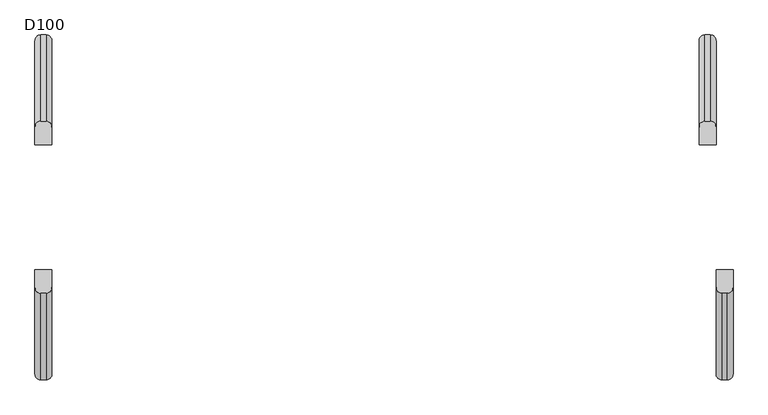
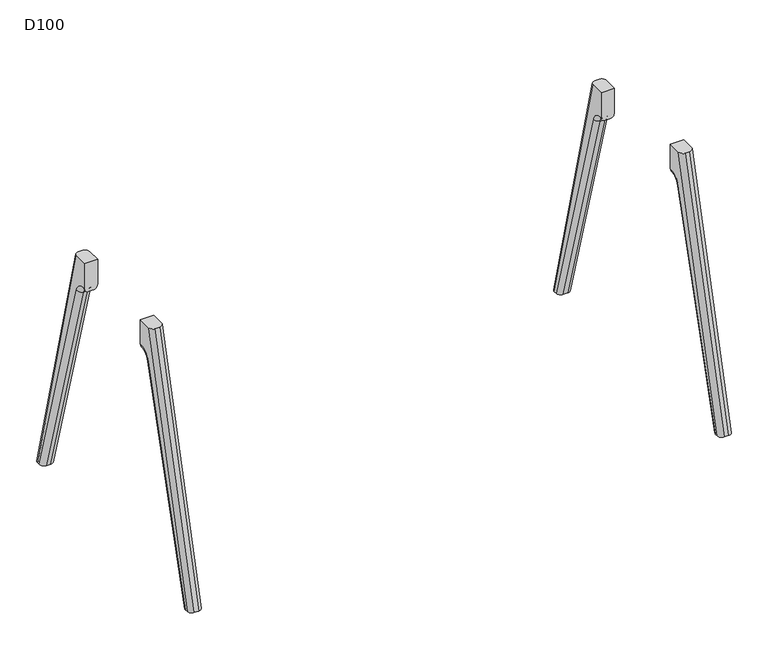
"""IFC4 building model written with IfcOpenShell, lengths in millimetres: furniture geometry, D100."""

from ifc_helpers import new_model, si_unit, point, frame, origin, place, context, project, spatial, polyline, circle_curve, ellipse_curve, trimmed, source, transform, mapped, element, save
from ifc_brep_helpers import plane_surface, cylinder_surface, revolved_surface, advanced_brep


def d100_ffd6c394(model_context):
    return source(origin(), model_context, "Body", "AdvancedBrep", [
        advanced_brep(
        [(0.0, -211.7278851, 880.0006338), (0.0, -439.8031746, 0.0), (15.0, -455.2987797, 0.0), (15.0, -227.2234902, 880.0006338), (45.0, -439.8031746, 0.0), (45.0, -211.7278851, 880.0006338), (30.0, -227.2234902, 880.0006338), (30.0, -455.2987797, 0.0), (45.0, -165.2234902, 880.0006338), (45.0, -429.58813, 0.0), (45.0, -211.1253977, 757.7437132), (45.0, -166.9256926, 791.0006338), (45.0, -165.2234902, 791.0006338), (0.0, -165.2234902, 880.0006338), (0.0, -165.2234902, 791.0006338), (0.0, -166.9256926, 791.0006338), (0.0, -211.1253977, 757.7437132), (0.0, -429.58813, 0.0), (30.0, -413.9771661, 0.0), (15.0, -413.9771661, 0.0), (15.0, -196.7124504, 753.5883612), (30.0, -196.7124504, 753.5883612), (30.0, -165.2234902, 776.0006338), (15.0, -165.2234902, 776.0006338), (30.0, -166.9256926, 776.0006338), (15.0, -166.9256926, 776.0006338)],
        [
            (0, 1),
            (1, 2, ellipse_curve(frame((15.0, -439.8031746, 0.0), z_axis=(0.0, 0.0, 1.0), x_axis=(0.0, 1.0, 0.0)), 15.4956051, 15.0)),
            (2, 3),
            (3, 0, ellipse_curve(frame((15.0, -211.7278851, 880.0006338), z_axis=(0.0, 0.0, -1.0), x_axis=(0.0, 1.0, 0.0)), 15.4956051, 15.0)),
            (4, 5),
            (5, 6, ellipse_curve(frame((30.0, -211.7278851, 880.0006338), z_axis=(0.0, 0.0, -1.0), x_axis=(0.0, 1.0, 0.0)), 15.4956051, 15.0)),
            (6, 7),
            (7, 4, ellipse_curve(frame((30.0, -439.8031746, 0.0), z_axis=(0.0, 0.0, 1.0), x_axis=(0.0, 1.0, 0.0)), 15.4956051, 15.0)),
            (8, 5),
            (4, 9),
            (9, 10),
            (10, 11, circle_curve(frame((45.0, -166.9256926, 745.0006338), z_axis=(-1.0, 0.0, 0.0), x_axis=(0.0, -0.9608631532166849, 0.2770234661368772)), 46.0)),
            (11, 12),
            (12, 8),
            (0, 13),
            (13, 14),
            (14, 15),
            (15, 16, circle_curve(frame((0.0, -166.9256926, 745.0006338), z_axis=(1.0, 0.0, 0.0), x_axis=(0.0, -0.9608631532166849, 0.2770234661368772)), 46.0)),
            (16, 17),
            (17, 1),
            (18, 19),
            (19, 20),
            (20, 21),
            (21, 18),
            (7, 2),
            (17, 19, ellipse_curve(frame((15.0, -429.58813, 0.0), z_axis=(0.0, 0.0, -1.0), x_axis=(0.0, 1.0, 0.0)), 15.6109639, 15.0)),
            (18, 9, ellipse_curve(frame((30.0, -429.58813, 0.0), z_axis=(0.0, 0.0, -1.0), x_axis=(0.0, 1.0, 0.0)), 15.6109639, 15.0)),
            (6, 3),
            (8, 13),
            (12, 22, circle_curve(frame((30.0, -165.2234902, 791.0006338), z_axis=(0.0, 1.0, 0.0), x_axis=(0.0, 0.0, 1.0)), 15.0)),
            (22, 23),
            (23, 14, circle_curve(frame((15.0, -165.2234902, 791.0006338), z_axis=(0.0, 1.0, 0.0), x_axis=(0.0, 0.0, 1.0)), 15.0)),
            (22, 24),
            (24, 25),
            (25, 23),
            (24, 21, circle_curve(frame((30.0, -166.9256926, 745.0006338), z_axis=(1.0, 0.0, 0.0), x_axis=(0.0, 1.0, 0.0)), 31.0)),
            (20, 25, circle_curve(frame((15.0, -166.9256926, 745.0006338), z_axis=(-1.0, 0.0, 0.0), x_axis=(0.0, 1.0, 0.0)), 31.0)),
            (16, 20, circle_curve(frame((15.0, -211.1253977, 757.7437132), z_axis=(0.0, -0.2770234661368847, -0.9608631532166827), x_axis=(0.0, -0.9608631532166827, 0.2770234661368847)), 15.0)),
            (21, 10, circle_curve(frame((30.0, -211.1253977, 757.7437132), z_axis=(0.0, -0.2770234661368847, -0.9608631532166827), x_axis=(0.0, -0.9608631532166827, 0.2770234661368847)), 15.0)),
            (25, 15, circle_curve(frame((15.0, -166.9256926, 791.0006338), z_axis=(0.0, 1.0, 0.0), x_axis=(0.0, 0.0, 1.0)), 15.0)),
            (11, 24, circle_curve(frame((30.0, -166.9256926, 791.0006338), z_axis=(0.0, 1.0, 0.0), x_axis=(0.0, 0.0, 1.0)), 15.0)),
        ],
        [
            cylinder_surface(frame((15.0, -457.7527706, -69.2563225), z_axis=(0.0, 0.25088689062883374, 0.9680164090089567), x_axis=(0.0, -0.9680164090089567, 0.25088689062883374)), 15.0),
            cylinder_surface(frame((30.0, -457.7527706, -69.2563225), z_axis=(0.0, 0.25088689062883374, 0.9680164090089567), x_axis=(0.0, -0.9680164090089567, 0.25088689062883374)), 15.0),
            plane_surface(frame((45.0, -135.9256926, 745.0006338), z_axis=(1.0, 0.0, 0.0), x_axis=(0.0, 0.0, -1.0))),
            plane_surface(frame((0.0, -135.9256926, 745.0006338), z_axis=(-1.0, 0.0, 0.0), x_axis=(0.0, 0.0, 1.0))),
            plane_surface(frame((45.0, -413.9771661, 0.0), z_axis=(0.0, 0.9608631532166828, -0.2770234661368848), x_axis=(-1.0, 0.0, 0.0))),
            plane_surface(frame((45.0, -455.2987797, 0.0), z_axis=(0.0, 0.0, -1.0), x_axis=(-1.0, 0.0, 0.0))),
            plane_surface(frame((45.0, -227.2234902, 880.0006338), z_axis=(0.0, -0.9680164090089575, 0.25088689062883046), x_axis=(-1.0, 0.0, 0.0))),
            plane_surface(frame((45.0, -165.2234902, 880.0006338), z_axis=(0.0, 0.0, 1.0), x_axis=(-1.0, 0.0, 0.0))),
            plane_surface(frame((45.0, -165.2234902, 776.0006338), z_axis=(0.0, 1.0, 0.0), x_axis=(-1.0, 0.0, 0.0))),
            plane_surface(frame((45.0, -166.9256926, 776.0006338), z_axis=(0.0, 0.0, -1.0), x_axis=(-1.0, 0.0, 0.0))),
            revolved_surface(polyline([(15.0, -135.9256926, 745.0006338), (30.0, -135.9256926, 745.0006338)]), (0.0, -166.9256926, 745.0006338), (-1.0, 0.0, 0.0)),
            cylinder_surface(frame((15.0, -448.1062889, -64.2307193), z_axis=(0.0, 0.2770234661368847, 0.9608631532166827), x_axis=(0.0, -0.9608631532166827, 0.2770234661368847)), 15.0),
            cylinder_surface(frame((30.0, -448.1062889, -64.2307193), z_axis=(0.0, 0.2770234661368847, 0.9608631532166827), x_axis=(0.0, -0.9608631532166827, 0.2770234661368847)), 15.0),
            cylinder_surface(frame((15.0, -166.9256926, 791.0006338), z_axis=(0.0, 1.0, 0.0), x_axis=(0.0, 0.0, 1.0)), 15.0),
            cylinder_surface(frame((30.0, -166.9256926, 791.0006338), z_axis=(0.0, 1.0, 0.0), x_axis=(0.0, 0.0, 1.0)), 15.0),
            revolved_surface(trimmed(ellipse_curve(frame((15.0, -211.1253977, 757.7437132), z_axis=(0.0, -0.27702346613687723, -0.9608631532166849), x_axis=(0.0, -0.9608631532166849, 0.27702346613687723)), 15.0, 15.0), [point((0.0, -211.1253977, 757.7437132))], [point((15.0, -196.7124504, 753.5883612))], True, "CARTESIAN"), (782.0, -166.9256926, 745.0006338), (-1.0, 0.0, 0.0)),
            revolved_surface(trimmed(ellipse_curve(frame((30.0, -211.1253977, 757.7437132), z_axis=(0.0, -0.27702346613687723, -0.9608631532166849), x_axis=(0.0, -0.9608631532166849, 0.27702346613687723)), 15.0, 15.0), [point((30.0, -196.7124504, 753.5883612))], [point((45.0, -211.1253977, 757.7437132))], True, "CARTESIAN"), (782.0, -166.9256926, 745.0006338), (-1.0, 0.0, 0.0)),
        ],
        [
            (0, [[1, 2, 3, 4]]),
            (1, [[5, 6, 7, 8]]),
            (2, [[9, -5, 10, 11, 12, 13, 14]]),
            (3, [[15, 16, 17, 18, 19, 20, -1]]),
            (4, [[21, 22, 23, 24]]),
            (5, [[25, -2, -20, 26, -21, 27, -10, -8]]),
            (6, [[-25, -7, 28, -3]]),
            (7, [[29, -15, -4, -28, -6, -9]]),
            (8, [[-29, -14, 30, 31, 32, -16]]),
            (9, [[-31, 33, 34, 35]]),
            (10, [[-34, 36, -23, 37]]),
            (11, [[38, -22, -26, -19]]),
            (12, [[39, -11, -27, -24]]),
            (13, [[40, -17, -32, -35]]),
            (14, [[41, -33, -30, -13]]),
            (15, [[-38, -18, -40, -37]]),
            (16, [[-39, -36, -41, -12]]),
        ],
    ),
        advanced_brep(
        [(-45.0, 165.2234902, 880.0006338), (-45.0, 211.7278851, 880.0006338), (-45.0, 439.8031746, 0.0), (-45.0, 429.58813, 0.0), (-45.0, 211.1253977, 757.7437132), (-45.0, 166.9256926, 791.0006338), (-45.0, 165.2234902, 791.0006338), (0.0, 211.7278851, 880.0006338), (0.0, 165.2234902, 880.0006338), (0.0, 165.2234902, 791.0006338), (0.0, 166.9256926, 791.0006338), (0.0, 211.1253977, 757.7437132), (0.0, 429.58813, 0.0), (0.0, 439.8031746, 0.0), (-30.0, 413.9771661, 0.0), (-15.0, 413.9771661, 0.0), (-15.0, 196.7124504, 753.5883612), (-30.0, 196.7124504, 753.5883612), (-30.0, 455.2987797, 0.0), (-15.0, 455.2987797, 0.0), (-30.0, 227.2234902, 880.0006338), (-15.0, 227.2234902, 880.0006338), (-30.0, 165.2234902, 776.0006338), (-15.0, 165.2234902, 776.0006338), (-30.0, 166.9256926, 776.0006338), (-15.0, 166.9256926, 776.0006338)],
        [
            (0, 1),
            (1, 2),
            (2, 3),
            (3, 4),
            (4, 5, circle_curve(frame((-45.0, 166.9256926, 745.0006338), z_axis=(1.0, 0.0, 0.0), x_axis=(0.0, 0.0, 1.0)), 46.0)),
            (5, 6),
            (6, 0),
            (7, 8),
            (8, 9),
            (9, 10),
            (10, 11, circle_curve(frame((0.0, 166.9256926, 745.0006338), z_axis=(-1.0, 0.0, 0.0), x_axis=(0.0, 0.0, 1.0)), 46.0)),
            (11, 12),
            (12, 13),
            (13, 7),
            (14, 15),
            (15, 16),
            (16, 17),
            (17, 14),
            (18, 19),
            (19, 13, ellipse_curve(frame((-15.0, 439.8031746, 0.0), z_axis=(0.0, 0.0, -1.0), x_axis=(0.0, -1.0, 0.0)), 15.4956051, 15.0)),
            (12, 15, ellipse_curve(frame((-15.0, 429.58813, 0.0), z_axis=(0.0, 0.0, -1.0), x_axis=(0.0, 1.0, 0.0)), 15.6109639, 15.0)),
            (14, 3, ellipse_curve(frame((-30.0, 429.58813, 0.0), z_axis=(0.0, 0.0, -1.0), x_axis=(0.0, 1.0, 0.0)), 15.6109639, 15.0)),
            (2, 18, ellipse_curve(frame((-30.0, 439.8031746, 0.0), z_axis=(0.0, 0.0, -1.0), x_axis=(0.0, -1.0, 0.0)), 15.4956051, 15.0)),
            (18, 20),
            (20, 21),
            (21, 19),
            (0, 8),
            (7, 21, ellipse_curve(frame((-15.0, 211.7278851, 880.0006338), z_axis=(0.0, 0.0, 1.0), x_axis=(0.0, -1.0, 0.0)), 15.4956051, 15.0)),
            (20, 1, ellipse_curve(frame((-30.0, 211.7278851, 880.0006338), z_axis=(0.0, 0.0, 1.0), x_axis=(0.0, -1.0, 0.0)), 15.4956051, 15.0)),
            (6, 22, circle_curve(frame((-30.0, 165.2234902, 791.0006338), z_axis=(0.0, -1.0, 0.0), x_axis=(0.0, 0.0, -1.0)), 15.0)),
            (22, 23),
            (23, 9, circle_curve(frame((-15.0, 165.2234902, 791.0006338), z_axis=(0.0, -1.0, 0.0), x_axis=(0.0, 0.0, -1.0)), 15.0)),
            (22, 24),
            (24, 25),
            (25, 23),
            (24, 17, circle_curve(frame((-30.0, 166.9256926, 745.0006338), z_axis=(-1.0, 0.0, 0.0), x_axis=(0.0, -1.0, 0.0)), 31.0)),
            (16, 25, circle_curve(frame((-15.0, 166.9256926, 745.0006338), z_axis=(1.0, 0.0, 0.0), x_axis=(0.0, -1.0, 0.0)), 31.0)),
            (25, 10, circle_curve(frame((-15.0, 166.9256926, 791.0006338), z_axis=(0.0, -1.0, 0.0), x_axis=(0.0, 0.0, -1.0)), 15.0)),
            (5, 24, circle_curve(frame((-30.0, 166.9256926, 791.0006338), z_axis=(0.0, -1.0, 0.0), x_axis=(0.0, 0.0, -1.0)), 15.0)),
            (11, 16, circle_curve(frame((-15.0, 211.1253977, 757.7437132), z_axis=(0.0, 0.277023466136888, -0.9608631532166818), x_axis=(0.0, -0.9608631532166818, -0.277023466136888)), 15.0)),
            (17, 4, circle_curve(frame((-30.0, 211.1253977, 757.7437132), z_axis=(0.0, 0.277023466136888, -0.9608631532166818), x_axis=(0.0, -0.9608631532166818, -0.277023466136888)), 15.0)),
        ],
        [
            plane_surface(frame((-45.0, 135.9256926, 745.0006338), z_axis=(-1.0, 0.0, 0.0), x_axis=(0.0, 0.0, -1.0))),
            plane_surface(frame((0.0, 135.9256926, 745.0006338), z_axis=(1.0, 0.0, 0.0), x_axis=(0.0, 0.0, 1.0))),
            plane_surface(frame((-45.0, 413.9771661, 0.0), z_axis=(0.0, -0.9608631532166828, -0.2770234661368848), x_axis=(1.0, 0.0, 0.0))),
            plane_surface(frame((-45.0, 455.2987797, 0.0), z_axis=(0.0, 0.0, -1.0), x_axis=(1.0, 0.0, 0.0))),
            plane_surface(frame((-45.0, 227.2234902, 880.0006338), z_axis=(0.0, 0.9680164090089575, 0.25088689062883046), x_axis=(1.0, 0.0, 0.0))),
            plane_surface(frame((-45.0, 165.2234902, 880.0006338), z_axis=(0.0, 0.0, 1.0), x_axis=(1.0, 0.0, 0.0))),
            plane_surface(frame((-45.0, 165.2234902, 776.0006338), z_axis=(0.0, -1.0, 0.0), x_axis=(1.0, 0.0, 0.0))),
            plane_surface(frame((-45.0, 166.9256926, 776.0006338), z_axis=(0.0, 0.0, -1.0), x_axis=(1.0, 0.0, 0.0))),
            revolved_surface(polyline([(-15.0, 135.9256926, 745.0006338), (-30.0, 135.9256926, 745.0006338)]), (0.0, 166.9256926, 745.0006338), (1.0, 0.0, 0.0)),
            cylinder_surface(frame((-15.0, 457.7527706, -69.2563225), z_axis=(0.0, -0.25088689062883374, 0.9680164090089567), x_axis=(0.0, 0.9680164090089567, 0.25088689062883374)), 15.0),
            cylinder_surface(frame((-30.0, 457.7527706, -69.2563225), z_axis=(0.0, -0.25088689062883374, 0.9680164090089567), x_axis=(0.0, 0.9680164090089567, 0.25088689062883374)), 15.0),
            cylinder_surface(frame((-15.0, -166.9256926, 791.0006338), z_axis=(0.0, 1.0, 0.0), x_axis=(0.0, 0.0, -1.0)), 15.0),
            cylinder_surface(frame((-30.0, -166.9256926, 791.0006338), z_axis=(0.0, 1.0, 0.0), x_axis=(0.0, 0.0, -1.0)), 15.0),
            cylinder_surface(frame((-15.0, 211.1253977, 757.7437132), z_axis=(0.0, 0.277023466136888, -0.9608631532166818), x_axis=(0.0, -0.9608631532166818, -0.277023466136888)), 15.0),
            cylinder_surface(frame((-30.0, 211.1253977, 757.7437132), z_axis=(0.0, 0.277023466136888, -0.9608631532166818), x_axis=(0.0, -0.9608631532166818, -0.277023466136888)), 15.0),
            revolved_surface(trimmed(ellipse_curve(frame((-15.0, 166.9256926, 791.0006338), z_axis=(0.0, -1.0, 0.0), x_axis=(0.0, 0.0, -1.0)), 15.0, 15.0), [point((-15.0, 166.9256926, 776.0006338))], [point((0.0, 166.9256926, 791.0006338))], True, "CARTESIAN"), (-782.0, 166.9256926, 745.0006338), (-1.0, 0.0, 0.0)),
            revolved_surface(trimmed(ellipse_curve(frame((-30.0, 166.9256926, 791.0006338), z_axis=(0.0, -1.0, 0.0), x_axis=(0.0, 0.0, -1.0)), 15.0, 15.0), [point((-45.0, 166.9256926, 791.0006338))], [point((-30.0, 166.9256926, 776.0006338))], True, "CARTESIAN"), (-782.0, 166.9256926, 745.0006338), (-1.0, 0.0, 0.0)),
        ],
        [
            (0, [[1, 2, 3, 4, 5, 6, 7]]),
            (1, [[8, 9, 10, 11, 12, 13, 14]]),
            (2, [[15, 16, 17, 18]]),
            (3, [[19, 20, -13, 21, -15, 22, -3, 23]]),
            (4, [[-19, 24, 25, 26]]),
            (5, [[27, -8, 28, -25, 29, -1]]),
            (6, [[-27, -7, 30, 31, 32, -9]]),
            (7, [[-31, 33, 34, 35]]),
            (8, [[-34, 36, -17, 37]]),
            (9, [[-14, -20, -26, -28]]),
            (10, [[-2, -29, -24, -23]]),
            (11, [[38, -10, -32, -35]]),
            (12, [[39, -33, -30, -6]]),
            (13, [[40, -16, -21, -12]]),
            (14, [[41, -4, -22, -18]]),
            (15, [[-38, -37, -40, -11]]),
            (16, [[-39, -5, -41, -36]]),
        ],
    ),
        advanced_brep(
        [(-1799.0, -211.1253977, 757.7437132), (-1784.0, -196.7124504, 753.5883612), (-1784.0, -413.9771661, 0.0), (-1799.0, -429.58813, 0.0), (-1769.0, -196.7124504, 753.5883612), (-1754.0, -211.1253977, 757.7437132), (-1754.0, -429.58813, 0.0), (-1769.0, -413.9771661, 0.0), (-1784.0, -166.9256926, 776.0006338), (-1799.0, -166.9256926, 791.0006338), (-1799.0, -165.2234902, 791.0006338), (-1784.0, -165.2234902, 776.0006338), (-1754.0, -166.9256926, 791.0006338), (-1769.0, -166.9256926, 776.0006338), (-1769.0, -165.2234902, 776.0006338), (-1754.0, -165.2234902, 791.0006338), (-1754.0, -165.2234902, 880.0006338), (-1754.0, -211.7278851, 880.0006338), (-1754.0, -439.8031746, 0.0), (-1799.0, -165.2234902, 880.0006338), (-1799.0, -439.8031746, 0.0), (-1799.0, -211.7278851, 880.0006338), (-1769.0, -455.2987797, 0.0), (-1784.0, -455.2987797, 0.0), (-1769.0, -227.2234902, 880.0006338), (-1784.0, -227.2234902, 880.0006338)],
        [
            (0, 1, circle_curve(frame((-1784.0, -211.1253977, 757.7437132), z_axis=(0.0, -0.2770234661368847, -0.9608631532166827), x_axis=(0.0, -0.9608631532166827, 0.2770234661368847)), 15.0)),
            (1, 2),
            (2, 3, ellipse_curve(frame((-1784.0, -429.58813, 0.0), z_axis=(0.0, 0.0, 1.0), x_axis=(0.0, 1.0, 0.0)), 15.6109639, 15.0)),
            (3, 0),
            (4, 5, circle_curve(frame((-1769.0, -211.1253977, 757.7437132), z_axis=(0.0, -0.2770234661368847, -0.9608631532166827), x_axis=(0.0, -0.9608631532166827, 0.2770234661368847)), 15.0)),
            (5, 6),
            (6, 7, ellipse_curve(frame((-1769.0, -429.58813, 0.0), z_axis=(0.0, 0.0, 1.0), x_axis=(0.0, 1.0, 0.0)), 15.6109639, 15.0)),
            (7, 4),
            (8, 9, circle_curve(frame((-1784.0, -166.9256926, 791.0006338), z_axis=(0.0, 1.0, 0.0), x_axis=(0.0, 0.0, 1.0)), 15.0)),
            (9, 10),
            (10, 11, circle_curve(frame((-1784.0, -165.2234902, 791.0006338), z_axis=(0.0, -1.0, 0.0), x_axis=(0.0, 0.0, 1.0)), 15.0)),
            (11, 8),
            (12, 13, circle_curve(frame((-1769.0, -166.9256926, 791.0006338), z_axis=(0.0, 1.0, 0.0), x_axis=(0.0, 0.0, 1.0)), 15.0)),
            (13, 14),
            (14, 15, circle_curve(frame((-1769.0, -165.2234902, 791.0006338), z_axis=(0.0, -1.0, 0.0), x_axis=(0.0, 0.0, 1.0)), 15.0)),
            (15, 12),
            (0, 9, circle_curve(frame((-1799.0, -166.9256926, 745.0006338), z_axis=(-1.0, 0.0, 0.0), x_axis=(0.0, -0.9608631532166849, 0.2770234661368772)), 46.0)),
            (8, 1, circle_curve(frame((-1784.0, -166.9256926, 745.0006338), z_axis=(1.0, 0.0, 0.0), x_axis=(0.0, -0.9608631532166849, 0.2770234661368772)), 31.0)),
            (4, 13, circle_curve(frame((-1769.0, -166.9256926, 745.0006338), z_axis=(-1.0, 0.0, 0.0), x_axis=(0.0, -0.9608631532166849, 0.2770234661368772)), 31.0)),
            (12, 5, circle_curve(frame((-1754.0, -166.9256926, 745.0006338), z_axis=(1.0, 0.0, 0.0), x_axis=(0.0, -0.9608631532166849, 0.2770234661368772)), 46.0)),
            (15, 16),
            (16, 17),
            (17, 18),
            (18, 6),
            (19, 10),
            (3, 20),
            (20, 21),
            (21, 19),
            (7, 2),
            (1, 4),
            (18, 22, ellipse_curve(frame((-1769.0, -439.8031746, 0.0), z_axis=(0.0, 0.0, -1.0), x_axis=(0.0, 1.0, 0.0)), 15.4956051, 15.0)),
            (22, 23),
            (23, 20, ellipse_curve(frame((-1784.0, -439.8031746, 0.0), z_axis=(0.0, 0.0, -1.0), x_axis=(0.0, 1.0, 0.0)), 15.4956051, 15.0)),
            (22, 24),
            (24, 25),
            (25, 23),
            (16, 19),
            (21, 25, ellipse_curve(frame((-1784.0, -211.7278851, 880.0006338), z_axis=(0.0, 0.0, 1.0), x_axis=(0.0, 1.0, 0.0)), 15.4956051, 15.0)),
            (24, 17, ellipse_curve(frame((-1769.0, -211.7278851, 880.0006338), z_axis=(0.0, 0.0, 1.0), x_axis=(0.0, 1.0, 0.0)), 15.4956051, 15.0)),
            (14, 11),
            (13, 8),
        ],
        [
            cylinder_surface(frame((-1784.0, -448.1062889, -64.2307193), z_axis=(0.0, 0.2770234661368847, 0.9608631532166827), x_axis=(0.0, -0.9608631532166827, 0.2770234661368847)), 15.0),
            cylinder_surface(frame((-1769.0, -448.1062889, -64.2307193), z_axis=(0.0, 0.2770234661368847, 0.9608631532166827), x_axis=(0.0, -0.9608631532166827, 0.2770234661368847)), 15.0),
            cylinder_surface(frame((-1784.0, -166.9256926, 791.0006338), z_axis=(0.0, 1.0, 0.0), x_axis=(0.0, 0.0, 1.0)), 15.0),
            cylinder_surface(frame((-1769.0, -166.9256926, 791.0006338), z_axis=(0.0, 1.0, 0.0), x_axis=(0.0, 0.0, 1.0)), 15.0),
            revolved_surface(trimmed(ellipse_curve(frame((-1784.0, -211.1253977, 757.7437132), z_axis=(0.0, -0.27702346613687723, -0.9608631532166849), x_axis=(0.0, -0.9608631532166849, 0.27702346613687723)), 15.0, 15.0), [point((-1799.0, -211.1253977, 757.7437132))], [point((-1784.0, -196.7124504, 753.5883612))], True, "CARTESIAN"), (-1017.0, -166.9256926, 745.0006338), (-1.0, 0.0, 0.0)),
            revolved_surface(trimmed(ellipse_curve(frame((-1769.0, -211.1253977, 757.7437132), z_axis=(0.0, -0.27702346613687723, -0.9608631532166849), x_axis=(0.0, -0.9608631532166849, 0.27702346613687723)), 15.0, 15.0), [point((-1769.0, -196.7124504, 753.5883612))], [point((-1754.0, -211.1253977, 757.7437132))], True, "CARTESIAN"), (-1017.0, -166.9256926, 745.0006338), (-1.0, 0.0, 0.0)),
            plane_surface(frame((-1754.0, -135.9256926, 745.0006338), z_axis=(1.0, 0.0, 0.0), x_axis=(0.0, 0.0, -1.0))),
            plane_surface(frame((-1799.0, -135.9256926, 745.0006338), z_axis=(-1.0, 0.0, 0.0), x_axis=(0.0, 0.0, 1.0))),
            plane_surface(frame((-1754.0, -413.9771661, 0.0), z_axis=(0.0, 0.9608631532166828, -0.2770234661368848), x_axis=(-1.0, 0.0, 0.0))),
            plane_surface(frame((-1754.0, -455.2987797, 0.0), z_axis=(0.0, 0.0, -1.0), x_axis=(-1.0, 0.0, 0.0))),
            plane_surface(frame((-1754.0, -227.2234902, 880.0006338), z_axis=(0.0, -0.9680164090089575, 0.25088689062883046), x_axis=(-1.0, 0.0, 0.0))),
            plane_surface(frame((-1754.0, -165.2234902, 880.0006338), z_axis=(0.0, 0.0, 1.0), x_axis=(-1.0, 0.0, 0.0))),
            plane_surface(frame((-1754.0, -165.2234902, 776.0006338), z_axis=(0.0, 1.0, 0.0), x_axis=(-1.0, 0.0, 0.0))),
            plane_surface(frame((-1754.0, -166.9256926, 776.0006338), z_axis=(0.0, 0.0, -1.0), x_axis=(-1.0, 0.0, 0.0))),
            revolved_surface(polyline([(-1784.0, -135.9256926, 745.0006338), (-1769.0, -135.9256926, 745.0006338)]), (-1799.0, -166.9256926, 745.0006338), (-1.0, 0.0, 0.0)),
            cylinder_surface(frame((-1784.0, -457.7527706, -69.2563225), z_axis=(0.0, 0.25088689062883374, 0.9680164090089567), x_axis=(0.0, -0.9680164090089567, 0.25088689062883374)), 15.0),
            cylinder_surface(frame((-1769.0, -457.7527706, -69.2563225), z_axis=(0.0, 0.25088689062883374, 0.9680164090089567), x_axis=(0.0, -0.9680164090089567, 0.25088689062883374)), 15.0),
        ],
        [
            (0, [[1, 2, 3, 4]]),
            (1, [[5, 6, 7, 8]]),
            (2, [[9, 10, 11, 12]]),
            (3, [[13, 14, 15, 16]]),
            (4, [[-1, 17, -9, 18]]),
            (5, [[-5, 19, -13, 20]]),
            (6, [[21, 22, 23, 24, -6, -20, -16]]),
            (7, [[25, -10, -17, -4, 26, 27, 28]]),
            (8, [[29, -2, 30, -8]]),
            (9, [[-29, -7, -24, 31, 32, 33, -26, -3]]),
            (10, [[-32, 34, 35, 36]]),
            (11, [[37, -28, 38, -35, 39, -22]]),
            (12, [[-37, -21, -15, 40, -11, -25]]),
            (13, [[-40, -14, 41, -12]]),
            (14, [[-41, -19, -30, -18]]),
            (15, [[-27, -33, -36, -38]]),
            (16, [[-23, -39, -34, -31]]),
        ],
    ),
        advanced_brep(
        [(-1799.0, 166.9256926, 791.0006338), (-1784.0, 166.9256926, 776.0006338), (-1784.0, 165.2234902, 776.0006338), (-1799.0, 165.2234902, 791.0006338), (-1769.0, 166.9256926, 776.0006338), (-1754.0, 166.9256926, 791.0006338), (-1754.0, 165.2234902, 791.0006338), (-1769.0, 165.2234902, 776.0006338), (-1784.0, 196.7124504, 753.5883612), (-1799.0, 211.1253977, 757.7437132), (-1799.0, 429.58813, 0.0), (-1784.0, 413.9771661, 0.0), (-1754.0, 211.1253977, 757.7437132), (-1769.0, 196.7124504, 753.5883612), (-1769.0, 413.9771661, 0.0), (-1754.0, 429.58813, 0.0), (-1754.0, 165.2234902, 880.0006338), (-1754.0, 439.8031746, 0.0), (-1754.0, 211.7278851, 880.0006338), (-1799.0, 165.2234902, 880.0006338), (-1799.0, 211.7278851, 880.0006338), (-1799.0, 439.8031746, 0.0), (-1784.0, 455.2987797, 0.0), (-1769.0, 455.2987797, 0.0), (-1784.0, 227.2234902, 880.0006338), (-1769.0, 227.2234902, 880.0006338)],
        [
            (0, 1, circle_curve(frame((-1784.0, 166.9256926, 791.0006338), z_axis=(0.0, -1.0, 0.0), x_axis=(0.0, 0.0, 1.0)), 15.0)),
            (1, 2),
            (2, 3, circle_curve(frame((-1784.0, 165.2234902, 791.0006338), z_axis=(0.0, 1.0, 0.0), x_axis=(0.0, 0.0, 1.0)), 15.0)),
            (3, 0),
            (4, 5, circle_curve(frame((-1769.0, 166.9256926, 791.0006338), z_axis=(0.0, -1.0, 0.0), x_axis=(0.0, 0.0, 1.0)), 15.0)),
            (5, 6),
            (6, 7, circle_curve(frame((-1769.0, 165.2234902, 791.0006338), z_axis=(0.0, 1.0, 0.0), x_axis=(0.0, 0.0, 1.0)), 15.0)),
            (7, 4),
            (8, 9, circle_curve(frame((-1784.0, 211.1253977, 757.7437132), z_axis=(0.0, 0.277023466136888, -0.9608631532166818), x_axis=(0.0, 0.9608631532166818, 0.277023466136888)), 15.0)),
            (9, 10),
            (10, 11, ellipse_curve(frame((-1784.0, 429.58813, 0.0), z_axis=(0.0, 0.0, 1.0), x_axis=(0.0, 1.0, 0.0)), 15.6109639, 15.0)),
            (11, 8),
            (12, 13, circle_curve(frame((-1769.0, 211.1253977, 757.7437132), z_axis=(0.0, 0.277023466136888, -0.9608631532166818), x_axis=(0.0, 0.9608631532166818, 0.277023466136888)), 15.0)),
            (13, 14),
            (14, 15, ellipse_curve(frame((-1769.0, 429.58813, 0.0), z_axis=(0.0, 0.0, 1.0), x_axis=(0.0, 1.0, 0.0)), 15.6109639, 15.0)),
            (15, 12),
            (0, 9, circle_curve(frame((-1799.0, 166.9256926, 745.0006338), z_axis=(-1.0, 0.0, 0.0), x_axis=(0.0, 0.0, 1.0)), 46.0)),
            (8, 1, circle_curve(frame((-1784.0, 166.9256926, 745.0006338), z_axis=(1.0, 0.0, 0.0), x_axis=(0.0, 0.0, 1.0)), 31.0)),
            (4, 13, circle_curve(frame((-1769.0, 166.9256926, 745.0006338), z_axis=(-1.0, 0.0, 0.0), x_axis=(0.0, 0.0, 1.0)), 31.0)),
            (12, 5, circle_curve(frame((-1754.0, 166.9256926, 745.0006338), z_axis=(1.0, 0.0, 0.0), x_axis=(0.0, 0.0, 1.0)), 46.0)),
            (16, 6),
            (15, 17),
            (17, 18),
            (18, 16),
            (3, 19),
            (19, 20),
            (20, 21),
            (21, 10),
            (13, 8),
            (11, 14),
            (21, 22, ellipse_curve(frame((-1784.0, 439.8031746, 0.0), z_axis=(0.0, 0.0, -1.0), x_axis=(0.0, -1.0, 0.0)), 15.4956051, 15.0)),
            (22, 23),
            (23, 17, ellipse_curve(frame((-1769.0, 439.8031746, 0.0), z_axis=(0.0, 0.0, -1.0), x_axis=(0.0, -1.0, 0.0)), 15.4956051, 15.0)),
            (22, 24),
            (24, 25),
            (25, 23),
            (19, 16),
            (18, 25, ellipse_curve(frame((-1769.0, 211.7278851, 880.0006338), z_axis=(0.0, 0.0, 1.0), x_axis=(0.0, -1.0, 0.0)), 15.4956051, 15.0)),
            (24, 20, ellipse_curve(frame((-1784.0, 211.7278851, 880.0006338), z_axis=(0.0, 0.0, 1.0), x_axis=(0.0, -1.0, 0.0)), 15.4956051, 15.0)),
            (2, 7),
            (1, 4),
        ],
        [
            cylinder_surface(frame((-1784.0, -166.9256926, 791.0006338), z_axis=(0.0, 1.0, 0.0), x_axis=(0.0, 0.0, 1.0)), 15.0),
            cylinder_surface(frame((-1769.0, -166.9256926, 791.0006338), z_axis=(0.0, 1.0, 0.0), x_axis=(0.0, 0.0, 1.0)), 15.0),
            cylinder_surface(frame((-1784.0, 211.1253977, 757.7437132), z_axis=(0.0, 0.277023466136888, -0.9608631532166818), x_axis=(0.0, 0.9608631532166818, 0.277023466136888)), 15.0),
            cylinder_surface(frame((-1769.0, 211.1253977, 757.7437132), z_axis=(0.0, 0.277023466136888, -0.9608631532166818), x_axis=(0.0, 0.9608631532166818, 0.277023466136888)), 15.0),
            revolved_surface(trimmed(ellipse_curve(frame((-1784.0, 166.9256926, 791.0006338), z_axis=(0.0, -1.0, 0.0), x_axis=(0.0, 0.0, 1.0)), 15.0, 15.0), [point((-1799.0, 166.9256926, 791.0006338))], [point((-1784.0, 166.9256926, 776.0006338))], True, "CARTESIAN"), (-1017.0, 166.9256926, 745.0006338), (-1.0, 0.0, 0.0)),
            revolved_surface(trimmed(ellipse_curve(frame((-1769.0, 166.9256926, 791.0006338), z_axis=(0.0, -1.0, 0.0), x_axis=(0.0, 0.0, 1.0)), 15.0, 15.0), [point((-1769.0, 166.9256926, 776.0006338))], [point((-1754.0, 166.9256926, 791.0006338))], True, "CARTESIAN"), (-1017.0, 166.9256926, 745.0006338), (-1.0, 0.0, 0.0)),
            plane_surface(frame((-1754.0, 413.4231192, 1.9217263), z_axis=(1.0000000000000002, 0.0, 0.0), x_axis=(0.0, 0.2770234661368848, -0.9608631532166828))),
            plane_surface(frame((-1799.0, 413.4231192, 1.9217263), z_axis=(-1.0000000000000002, 0.0, 0.0), x_axis=(0.0, -0.2770234661368848, 0.9608631532166828))),
            plane_surface(frame((-1754.0, 196.7124504, 753.5883612), z_axis=(0.0, -0.9608631532166828, -0.2770234661368848), x_axis=(-1.0, 0.0, 0.0))),
            plane_surface(frame((-1754.0, 413.9771661, 0.0), z_axis=(0.0, 0.0, -1.0), x_axis=(-1.0, 0.0, 0.0))),
            plane_surface(frame((-1754.0, 455.2987797, 0.0), z_axis=(0.0, 0.9680164090089575, 0.25088689062883046), x_axis=(-1.0, 0.0, 0.0))),
            plane_surface(frame((-1754.0, 227.2234902, 880.0006338), z_axis=(0.0, 0.0, 1.0), x_axis=(-1.0, 0.0, 0.0))),
            plane_surface(frame((-1754.0, 165.2234902, 880.0006338), z_axis=(0.0, -1.0, 0.0), x_axis=(-1.0, 0.0, 0.0))),
            plane_surface(frame((-1754.0, 165.2234902, 776.0006338), z_axis=(0.0, 0.0, -1.0), x_axis=(-1.0, 0.0, 0.0))),
            revolved_surface(polyline([(-1784.0, 135.9256926, 745.0006338), (-1769.0, 135.9256926, 745.0006338)]), (-1799.0, 166.9256926, 745.0006338), (-1.0, 0.0, 0.0)),
            cylinder_surface(frame((-1784.0, 457.7527706, -69.2563225), z_axis=(0.0, -0.25088689062883374, 0.9680164090089567), x_axis=(0.0, -0.9680164090089567, -0.25088689062883374)), 15.0),
            cylinder_surface(frame((-1769.0, 457.7527706, -69.2563225), z_axis=(0.0, -0.25088689062883374, 0.9680164090089567), x_axis=(0.0, -0.9680164090089567, -0.25088689062883374)), 15.0),
        ],
        [
            (0, [[1, 2, 3, 4]]),
            (1, [[5, 6, 7, 8]]),
            (2, [[9, 10, 11, 12]]),
            (3, [[13, 14, 15, 16]]),
            (4, [[-1, 17, -9, 18]]),
            (5, [[-5, 19, -13, 20]]),
            (6, [[21, -6, -20, -16, 22, 23, 24]]),
            (7, [[25, 26, 27, 28, -10, -17, -4]]),
            (8, [[29, -12, 30, -14]]),
            (9, [[-30, -11, -28, 31, 32, 33, -22, -15]]),
            (10, [[-32, 34, 35, 36]]),
            (11, [[37, -24, 38, -35, 39, -26]]),
            (12, [[-37, -25, -3, 40, -7, -21]]),
            (13, [[-40, -2, 41, -8]]),
            (14, [[-29, -19, -41, -18]]),
            (15, [[-27, -39, -34, -31]]),
            (16, [[-23, -33, -36, -38]]),
        ],
    ),
    ])


if __name__ == "__main__":
    model = new_model("IFC4")
    model_context = context("Model", 3, world=origin())
    ifc_project = project(units=[si_unit("LENGTHUNIT", "METRE", prefix="MILLI")], contexts=[model_context])
    site = spatial("IfcSite", under=ifc_project)
    building = spatial("IfcBuilding", under=site)
    placement = place(None, origin())
    d100_shape = d100_ffd6c394(model_context)
    element("IfcFurniture", 1, ObjectType="D100", at=placement, inside=building, context=model_context, shape_type="MappedRepresentation", body=[
        mapped(d100_shape, transform((0.0, 0.0, 0.0), x_axis=(1.0, 0.0, 0.0), y_axis=(0.0, 1.0, 0.0), z_axis=(0.0, 0.0, 1.0))),
    ])
    save(model, "model.ifc")
